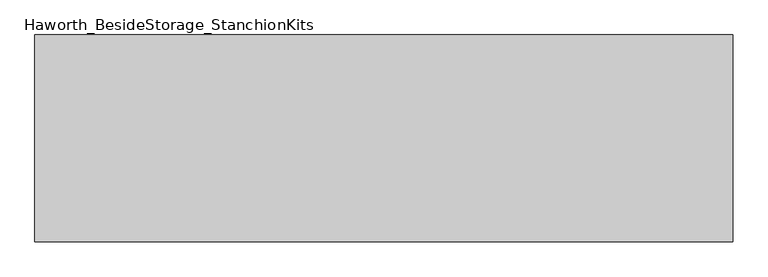
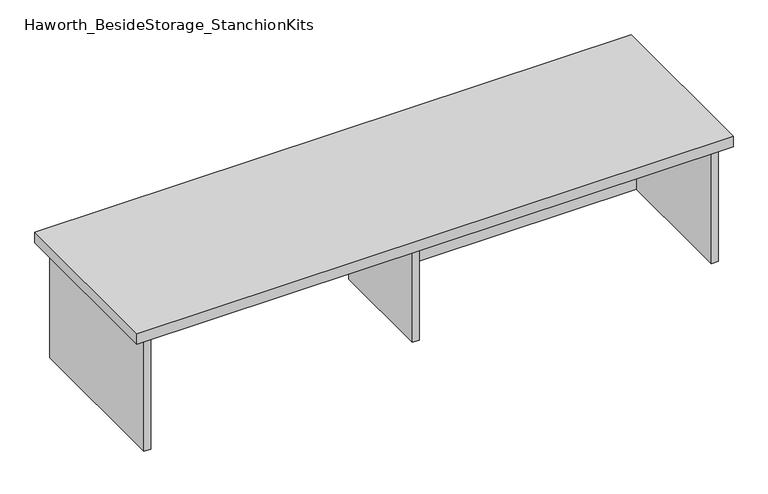
"""IFC4 building model written with IfcOpenShell, lengths in millimetres: furniture geometry, Haworth_BesideStorage_StanchionKits."""

import ifcopenshell
import ifcopenshell.guid

model = None  # the IFC model being written
_history = None  # IfcOwnerHistory: only IFC2X3 demands one
_inside = {}  # id of a spatial element -> (the spatial element, [elements in it])
_under = {}  # id of a project, library or spatial element -> (it, [spatial elements below it])
_declared = {}  # id of a project -> (the project, [libraries it declares])
_typed = {}  # id of a type object -> (the type object, [elements of that type])
_made_of = {}  # id of a material, layer set ... -> (it, [elements and type objects made of it])


def new_model(schema):
    """Start an empty IFC model of exactly this schema.

    Asked for "IFC4X3", IfcOpenShell would pick the latest addendum, in which some entities
    have other attributes; the version numbers below select the first issue.
    IFC2X3 requires an IfcOwnerHistory on every rooted entity: one is made here for all.
    """
    global model, _history
    if schema == "IFC4X3":
        model = ifcopenshell.file(schema_version=(4, 3, 0, 0))
    else:
        model = ifcopenshell.file(schema=schema)
    _inside.clear()
    _under.clear()
    _declared.clear()
    _typed.clear()
    _made_of.clear()
    _history = None
    if model.schema == "IFC2X3":
        org = make("IfcOrganization", Name="unknown")
        user = make(
            "IfcPersonAndOrganization",
            ThePerson=make("IfcPerson", FamilyName="unknown"),
            TheOrganization=org,
        )
        app = make(
            "IfcApplication",
            ApplicationDeveloper=org,
            Version="unknown",
            ApplicationFullName="unknown",
            ApplicationIdentifier="unknown",
        )
        _history = make(
            "IfcOwnerHistory",
            OwningUser=user,
            OwningApplication=app,
            ChangeAction="ADDED",
            CreationDate=0,
        )
    return model


def make(cls, **values):
    """One entity of the class cls with the attributes given. An attribute that is None is left unset."""
    return model.create_entity(
        cls, **{name: value for name, value in values.items() if value is not None}
    )


def rooted(cls, **values):
    """An entity with a GlobalId (a new one), such as an element, a storey or a relation."""
    return make(cls, GlobalId=ifcopenshell.guid.new(), OwnerHistory=_history, **values)


def si_unit(unit_type, name, prefix=None):
    """IfcSIUnit, for example si_unit("LENGTHUNIT", "METRE", prefix="MILLI")."""
    return make("IfcSIUnit", UnitType=unit_type, Prefix=prefix, Name=name)


def assignment(units):
    """IfcUnitAssignment: the units of a project."""
    return None if units is None else make("IfcUnitAssignment", Units=units)


def point(xyz):
    """IfcCartesianPoint."""
    return None if xyz is None else make("IfcCartesianPoint", Coordinates=xyz)


def direction(xyz):
    """IfcDirection."""
    return None if xyz is None else make("IfcDirection", DirectionRatios=xyz)


def frame(location, z_axis=None, x_axis=None):
    """IfcAxis2Placement3D, a coordinate frame: its origin and axes. An axis left out is left unset."""
    return make(
        "IfcAxis2Placement3D",
        Location=point(location),
        Axis=direction(z_axis),
        RefDirection=direction(x_axis),
    )


def origin():
    """The frame at (0, 0, 0) with its axes left unset."""
    return frame((0.0, 0.0, 0.0))


def place(relative_to, where):
    """IfcLocalPlacement: puts the frame where relative to a parent placement (None: the world)."""
    return make(
        "IfcLocalPlacement", PlacementRelTo=relative_to, RelativePlacement=where
    )


def context(
    kind, dimensions, precision=None, world=None, true_north=None, identifier=None
):
    """IfcGeometricRepresentationContext, for example the 3D "Model" context."""
    return make(
        "IfcGeometricRepresentationContext",
        ContextIdentifier=identifier,
        ContextType=kind,
        CoordinateSpaceDimension=dimensions,
        Precision=precision,
        WorldCoordinateSystem=world,
        TrueNorth=true_north,
    )


def project(units=None, contexts=None):
    """IfcProject with its units and contexts."""
    return rooted(
        "IfcProject",
        Name="project",
        RepresentationContexts=contexts,
        UnitsInContext=assignment(units),
    )


def spatial(cls, under=None, at=None, **own):
    """A site, building, storey or space (cls), placed at a placement, below another one or the project."""
    s = rooted(cls, ObjectPlacement=at, **own)
    if under is not None:
        _under.setdefault(under.id(), (under, []))[1].append(s)
    return s


def polyline(points):
    """IfcPolyline through the points."""
    return make("IfcPolyline", Points=[point(p) for p in points])


def outline(outer, holes=None, kind="AREA"):
    """IfcArbitraryClosedProfileDef: a profile drawn as a closed curve; with holes, ...WithVoids."""
    if holes is None:
        return make("IfcArbitraryClosedProfileDef", ProfileType=kind, OuterCurve=outer)
    return make(
        "IfcArbitraryProfileDefWithVoids",
        ProfileType=kind,
        OuterCurve=outer,
        InnerCurves=holes,
    )


def extrude(swept, where, along, depth):
    """IfcExtrudedAreaSolid: the profile swept, set in the frame where, extruded along a direction by depth."""
    return make(
        "IfcExtrudedAreaSolid",
        SweptArea=swept,
        Position=where,
        ExtrudedDirection=direction(along),
        Depth=depth,
    )


def shape(context_of_items, identifier, shape_type, items):
    """IfcShapeRepresentation: the items that make up one representation, for example the "Body"."""
    return make(
        "IfcShapeRepresentation",
        ContextOfItems=context_of_items,
        RepresentationIdentifier=identifier,
        RepresentationType=shape_type,
        Items=items,
    )


def source(mapping_origin, context_of_items, identifier, shape_type, items):
    """IfcRepresentationMap: a shape defined once, which mapped items show again and again."""
    return make(
        "IfcRepresentationMap",
        MappingOrigin=mapping_origin,
        MappedRepresentation=shape(context_of_items, identifier, shape_type, items),
    )


def transform(
    local_origin,
    x_axis=None,
    y_axis=None,
    z_axis=None,
    scale=None,
    scale2=None,
    scale3=None,
    uniform=True,
):
    """IfcCartesianTransformationOperator3D, or its non-uniform kind. x_axis, y_axis, z_axis: its Axis1, 2, 3."""
    if uniform:
        return make(
            "IfcCartesianTransformationOperator3D",
            Axis1=direction(x_axis),
            Axis2=direction(y_axis),
            LocalOrigin=point(local_origin),
            Scale=scale,
            Axis3=direction(z_axis),
        )
    return make(
        "IfcCartesianTransformationOperator3DnonUniform",
        Axis1=direction(x_axis),
        Axis2=direction(y_axis),
        LocalOrigin=point(local_origin),
        Scale=scale,
        Axis3=direction(z_axis),
        Scale2=scale2,
        Scale3=scale3,
    )


def mapped(mapping_source, mapping_target):
    """IfcMappedItem: shows the shape of a source again, moved by a transform."""
    return make(
        "IfcMappedItem", MappingSource=mapping_source, MappingTarget=mapping_target
    )


def made_of(thing, what):
    """Note that an element or type object is made of a material, layer set ...; save() writes the relation."""
    if what is not None:
        _made_of.setdefault(what.id(), (what, []))[1].append(thing)
    return thing


def element(
    cls,
    number,
    at=None,
    inside=None,
    cuts=None,
    type_object=None,
    material=None,
    context=None,
    identifier="Body",
    shape_type=None,
    held_by="IfcProductDefinitionShape",
    body=None,
    shapes=None,
    **own,
):
    """One element of the class cls, such as IfcWall. Its Tag is "e" and its number.

    at: its placement. inside: the storey or other place that contains it. cuts: it is an
    opening in that element (IfcRelVoidsElement). A single representation is given by context,
    identifier, shape_type and body (its items); several are given by shapes. held_by: the class
    of the entity that holds the representations. save() writes the other relations.
    """
    e = rooted(cls, Tag="e%d" % number, ObjectPlacement=at, **own)
    if body is not None:
        shapes = [shape(context, identifier, shape_type, body)]
    if shapes is not None:
        e.Representation = make(held_by, Representations=shapes)
    if inside is not None:
        _inside.setdefault(inside.id(), (inside, []))[1].append(e)
    if cuts is not None:
        rooted(
            "IfcRelVoidsElement", RelatingBuildingElement=cuts, RelatedOpeningElement=e
        )
    if type_object is not None:
        _typed.setdefault(type_object.id(), (type_object, []))[1].append(e)
    return made_of(e, material)


def aggregate(whole, parts):
    """IfcRelAggregates: a whole, such as a stair, and the parts it consists of."""
    return rooted("IfcRelAggregates", RelatingObject=whole, RelatedObjects=parts)


def save(model, path):
    """Write the relations noted so far, then the file.

    IfcRelAggregates (storeys below a building ...), IfcRelContainedInSpatialStructure (elements
    in a storey), IfcRelDefinesByType, IfcRelAssociatesMaterial and IfcRelDeclares: one each for
    every whole, place, type object, material and project.
    """
    for whole, parts in _under.values():
        aggregate(whole, parts)
    for where, things in _inside.values():
        rooted(
            "IfcRelContainedInSpatialStructure",
            RelatedElements=things,
            RelatingStructure=where,
        )
    for kind, things in _typed.values():
        rooted("IfcRelDefinesByType", RelatedObjects=things, RelatingType=kind)
    for what, things in _made_of.values():
        rooted("IfcRelAssociatesMaterial", RelatedObjects=things, RelatingMaterial=what)
    for by, libraries in _declared.values():
        rooted("IfcRelDeclares", RelatingContext=by, RelatedDefinitions=libraries)
    model.write(path)


def haworth_besidestorage_stanchionkits_b547974c(model_context):
    return source(origin(), model_context, "Body", "SweptSolid", [
        extrude(outline(polyline([(847.725, 0.0), (847.725, -406.4), (-523.875, -406.4), (-523.875, 0.0), (847.725, 0.0)])), frame((0.0, 0.0, 711.2), z_axis=(0.0, 0.0, 1.0), x_axis=(1.0, 0.0, 0.0)), (0.0, 0.0, 1.0), 25.4),
        extrude(outline(polyline([(169.8625, -76.2), (806.45, -76.2), (806.45, -92.075), (169.8625, -92.075), (169.8625, -76.2)])), frame((0.0, 0.0, 431.8), z_axis=(0.0, 0.0, 1.0), x_axis=(1.0, 0.0, 0.0)), (0.0, 0.0, 1.0), 279.4),
        extrude(outline(polyline([(169.8625, -330.2), (153.9875, -330.2), (153.9875, -76.2), (169.8625, -76.2), (169.8625, -330.2)])), frame((0.0, 0.0, 431.8), z_axis=(0.0, 0.0, 1.0), x_axis=(1.0, 0.0, 0.0)), (0.0, 0.0, 1.0), 279.4),
        extrude(outline(polyline([(822.325, -390.525), (806.45, -390.525), (806.45, -15.875), (822.325, -15.875), (822.325, -390.525)])), frame((0.0, 0.0, 431.8), z_axis=(0.0, 0.0, 1.0), x_axis=(1.0, 0.0, 0.0)), (0.0, 0.0, 1.0), 279.4),
        extrude(outline(polyline([(-482.6, -390.525), (-498.475, -390.525), (-498.475, -15.875), (-482.6, -15.875), (-482.6, -390.525)])), frame((0.0, 0.0, 431.8), z_axis=(0.0, 0.0, 1.0), x_axis=(1.0, 0.0, 0.0)), (0.0, 0.0, 1.0), 279.4),
    ])


if __name__ == "__main__":
    model = new_model("IFC4")
    model_context = context("Model", 3, world=origin())
    ifc_project = project(units=[si_unit("LENGTHUNIT", "METRE", prefix="MILLI")], contexts=[model_context])
    site = spatial("IfcSite", under=ifc_project)
    building = spatial("IfcBuilding", under=site)
    placement = place(None, origin())
    haworth_besidestorage_stanchionkits_shape = haworth_besidestorage_stanchionkits_b547974c(model_context)
    element("IfcFurniture", 1, ObjectType="Haworth_BesideStorage_StanchionKits", at=placement, inside=building, context=model_context, shape_type="MappedRepresentation", body=[
        mapped(haworth_besidestorage_stanchionkits_shape, transform((0.0, 0.0, 0.0), x_axis=(1.0, 0.0, 0.0), y_axis=(0.0, 1.0, 0.0), z_axis=(0.0, 0.0, 1.0))),
    ])
    save(model, "model.ifc")
